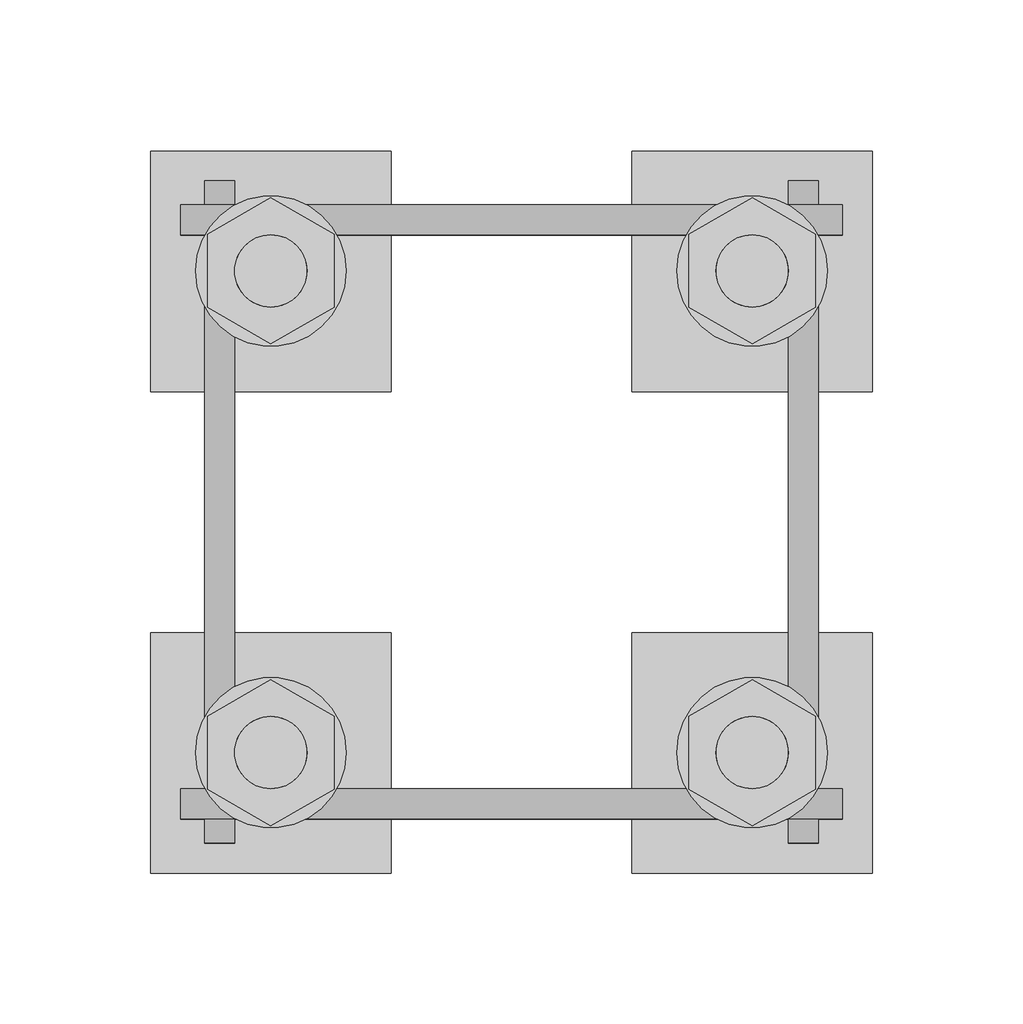
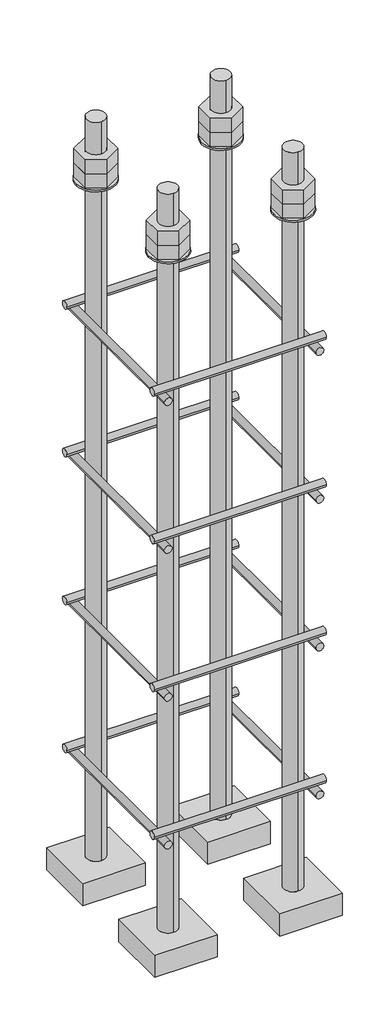
# One storey, part 20 of 66: 1 fastener.
"""IFC4 building model written with IfcOpenShell, lengths in millimetres."""

from ifc_helpers import new_model, si_unit, point, frame, frame_2d, origin, place, context, project, spatial, polyline, circle_curve, trimmed, segment, composite_curve, outline, extrude, element, save
from ifc_brep_helpers import plane_surface, cylinder_surface, advanced_brep

model = new_model("IFC4")

# Units and contexts
model_context = context("Model", 3, world=origin())
ifc_project = project(units=[si_unit("LENGTHUNIT", "METRE", prefix="MILLI")], contexts=[model_context])

# Site, building, storey
site = spatial("IfcSite", under=ifc_project)
building = spatial("IfcBuilding", under=site)
storey = spatial("IfcBuildingStorey", under=building, Elevation=9070.0)

# Fastener
placement = place(None, origin())
element("IfcFastener", 1, ObjectType="AU1 : AU-01", at=placement, inside=storey, context=model_context, shape_type="SolidModel", body=[
    extrude(outline(composite_curve([segment(trimmed(circle_curve(frame_2d((11343.0, 8395.0)), 5.0), [point((11338.0, 8395.0))], [point((11348.0, 8395.0))], False, "CARTESIAN"), True, "CONTINUOUS"), segment(trimmed(circle_curve(frame_2d((11343.0, 8395.0)), 5.0), [point((11348.0, 8395.0))], [point((11338.0, 8395.0))], False, "CARTESIAN"), True, "CONTINUOUS")], self_intersect=False)), frame((45890.0, 0.0, 0.0), z_axis=(1.0, 0.0, 0.0), x_axis=(0.0, 1.0, 0.0)), (0.0, 0.0, 1.0), 220.0),
    extrude(outline(composite_curve([segment(trimmed(circle_curve(frame_2d((11537.0, 8395.0)), 5.0), [point((11542.0, 8395.0))], [point((11532.0, 8395.0))], False, "CARTESIAN"), True, "CONTINUOUS"), segment(trimmed(circle_curve(frame_2d((11537.0, 8395.0)), 5.0), [point((11532.0, 8395.0))], [point((11542.0, 8395.0))], False, "CARTESIAN"), True, "CONTINUOUS")], self_intersect=False)), frame((45890.0, 0.0, 0.0), z_axis=(1.0, 0.0, 0.0), x_axis=(0.0, 1.0, 0.0)), (0.0, 0.0, 1.0), 220.0),
    extrude(outline(composite_curve([segment(trimmed(circle_curve(frame_2d((8385.0, 45903.0)), 5.0), [point((8385.0, 45898.0))], [point((8385.0, 45908.0))], False, "CARTESIAN"), True, "CONTINUOUS"), segment(trimmed(circle_curve(frame_2d((8385.0, 45903.0)), 5.0), [point((8385.0, 45908.0))], [point((8385.0, 45898.0))], False, "CARTESIAN"), True, "CONTINUOUS")], self_intersect=False)), frame((0.0, 11330.0, 0.0), z_axis=(0.0, 1.0, 0.0), x_axis=(0.0, 0.0, 1.0)), (0.0, 0.0, 1.0), 220.0),
    extrude(outline(composite_curve([segment(trimmed(circle_curve(frame_2d((8385.0, 46097.0)), 5.0), [point((8385.0, 46102.0))], [point((8385.0, 46092.0))], False, "CARTESIAN"), True, "CONTINUOUS"), segment(trimmed(circle_curve(frame_2d((8385.0, 46097.0)), 5.0), [point((8385.0, 46092.0))], [point((8385.0, 46102.0))], False, "CARTESIAN"), True, "CONTINUOUS")], self_intersect=False)), frame((0.0, 11330.0, 0.0), z_axis=(0.0, 1.0, 0.0), x_axis=(0.0, 0.0, 1.0)), (0.0, 0.0, 1.0), 220.0),
    extrude(outline(composite_curve([segment(trimmed(circle_curve(frame_2d((11343.0, 8595.0)), 5.0), [point((11338.0, 8595.0))], [point((11348.0, 8595.0))], False, "CARTESIAN"), True, "CONTINUOUS"), segment(trimmed(circle_curve(frame_2d((11343.0, 8595.0)), 5.0), [point((11348.0, 8595.0))], [point((11338.0, 8595.0))], False, "CARTESIAN"), True, "CONTINUOUS")], self_intersect=False)), frame((45890.0, 0.0, 0.0), z_axis=(1.0, 0.0, 0.0), x_axis=(0.0, 1.0, 0.0)), (0.0, 0.0, 1.0), 220.0),
    extrude(outline(composite_curve([segment(trimmed(circle_curve(frame_2d((11537.0, 8595.0)), 5.0), [point((11542.0, 8595.0))], [point((11532.0, 8595.0))], False, "CARTESIAN"), True, "CONTINUOUS"), segment(trimmed(circle_curve(frame_2d((11537.0, 8595.0)), 5.0), [point((11532.0, 8595.0))], [point((11542.0, 8595.0))], False, "CARTESIAN"), True, "CONTINUOUS")], self_intersect=False)), frame((45890.0, 0.0, 0.0), z_axis=(1.0, 0.0, 0.0), x_axis=(0.0, 1.0, 0.0)), (0.0, 0.0, 1.0), 220.0),
    extrude(outline(composite_curve([segment(trimmed(circle_curve(frame_2d((8585.0, 45903.0)), 5.0), [point((8585.0, 45898.0))], [point((8585.0, 45908.0))], False, "CARTESIAN"), True, "CONTINUOUS"), segment(trimmed(circle_curve(frame_2d((8585.0, 45903.0)), 5.0), [point((8585.0, 45908.0))], [point((8585.0, 45898.0))], False, "CARTESIAN"), True, "CONTINUOUS")], self_intersect=False)), frame((0.0, 11330.0, 0.0), z_axis=(0.0, 1.0, 0.0), x_axis=(0.0, 0.0, 1.0)), (0.0, 0.0, 1.0), 220.0),
    extrude(outline(composite_curve([segment(trimmed(circle_curve(frame_2d((8585.0, 46097.0)), 5.0), [point((8585.0, 46102.0))], [point((8585.0, 46092.0))], False, "CARTESIAN"), True, "CONTINUOUS"), segment(trimmed(circle_curve(frame_2d((8585.0, 46097.0)), 5.0), [point((8585.0, 46092.0))], [point((8585.0, 46102.0))], False, "CARTESIAN"), True, "CONTINUOUS")], self_intersect=False)), frame((0.0, 11330.0, 0.0), z_axis=(0.0, 1.0, 0.0), x_axis=(0.0, 0.0, 1.0)), (0.0, 0.0, 1.0), 220.0),
    extrude(outline(composite_curve([segment(trimmed(circle_curve(frame_2d((11343.0, 8795.0)), 5.0), [point((11338.0, 8795.0))], [point((11348.0, 8795.0))], False, "CARTESIAN"), True, "CONTINUOUS"), segment(trimmed(circle_curve(frame_2d((11343.0, 8795.0)), 5.0), [point((11348.0, 8795.0))], [point((11338.0, 8795.0))], False, "CARTESIAN"), True, "CONTINUOUS")], self_intersect=False)), frame((45890.0, 0.0, 0.0), z_axis=(1.0, 0.0, 0.0), x_axis=(0.0, 1.0, 0.0)), (0.0, 0.0, 1.0), 220.0),
    extrude(outline(composite_curve([segment(trimmed(circle_curve(frame_2d((11537.0, 8795.0)), 5.0), [point((11542.0, 8795.0))], [point((11532.0, 8795.0))], False, "CARTESIAN"), True, "CONTINUOUS"), segment(trimmed(circle_curve(frame_2d((11537.0, 8795.0)), 5.0), [point((11532.0, 8795.0))], [point((11542.0, 8795.0))], False, "CARTESIAN"), True, "CONTINUOUS")], self_intersect=False)), frame((45890.0, 0.0, 0.0), z_axis=(1.0, 0.0, 0.0), x_axis=(0.0, 1.0, 0.0)), (0.0, 0.0, 1.0), 220.0),
    extrude(outline(composite_curve([segment(trimmed(circle_curve(frame_2d((8785.0, 45903.0)), 5.0), [point((8785.0, 45898.0))], [point((8785.0, 45908.0))], False, "CARTESIAN"), True, "CONTINUOUS"), segment(trimmed(circle_curve(frame_2d((8785.0, 45903.0)), 5.0), [point((8785.0, 45908.0))], [point((8785.0, 45898.0))], False, "CARTESIAN"), True, "CONTINUOUS")], self_intersect=False)), frame((0.0, 11330.0, 0.0), z_axis=(0.0, 1.0, 0.0), x_axis=(0.0, 0.0, 1.0)), (0.0, 0.0, 1.0), 220.0),
    extrude(outline(composite_curve([segment(trimmed(circle_curve(frame_2d((8785.0, 46097.0)), 5.0), [point((8785.0, 46102.0))], [point((8785.0, 46092.0))], False, "CARTESIAN"), True, "CONTINUOUS"), segment(trimmed(circle_curve(frame_2d((8785.0, 46097.0)), 5.0), [point((8785.0, 46092.0))], [point((8785.0, 46102.0))], False, "CARTESIAN"), True, "CONTINUOUS")], self_intersect=False)), frame((0.0, 11330.0, 0.0), z_axis=(0.0, 1.0, 0.0), x_axis=(0.0, 0.0, 1.0)), (0.0, 0.0, 1.0), 220.0),
    extrude(outline(composite_curve([segment(trimmed(circle_curve(frame_2d((11343.0, 8995.0)), 5.0), [point((11338.0, 8995.0))], [point((11348.0, 8995.0))], False, "CARTESIAN"), True, "CONTINUOUS"), segment(trimmed(circle_curve(frame_2d((11343.0, 8995.0)), 5.0), [point((11348.0, 8995.0))], [point((11338.0, 8995.0))], False, "CARTESIAN"), True, "CONTINUOUS")], self_intersect=False)), frame((45890.0, 0.0, 0.0), z_axis=(1.0, 0.0, 0.0), x_axis=(0.0, 1.0, 0.0)), (0.0, 0.0, 1.0), 220.0),
    extrude(outline(composite_curve([segment(trimmed(circle_curve(frame_2d((11537.0, 8995.0)), 5.0), [point((11542.0, 8995.0))], [point((11532.0, 8995.0))], False, "CARTESIAN"), True, "CONTINUOUS"), segment(trimmed(circle_curve(frame_2d((11537.0, 8995.0)), 5.0), [point((11532.0, 8995.0))], [point((11542.0, 8995.0))], False, "CARTESIAN"), True, "CONTINUOUS")], self_intersect=False)), frame((45890.0, 0.0, 0.0), z_axis=(1.0, 0.0, 0.0), x_axis=(0.0, 1.0, 0.0)), (0.0, 0.0, 1.0), 220.0),
    extrude(outline(composite_curve([segment(trimmed(circle_curve(frame_2d((8985.0, 45903.0)), 5.0), [point((8985.0, 45898.0))], [point((8985.0, 45908.0))], False, "CARTESIAN"), True, "CONTINUOUS"), segment(trimmed(circle_curve(frame_2d((8985.0, 45903.0)), 5.0), [point((8985.0, 45908.0))], [point((8985.0, 45898.0))], False, "CARTESIAN"), True, "CONTINUOUS")], self_intersect=False)), frame((0.0, 11330.0, 0.0), z_axis=(0.0, 1.0, 0.0), x_axis=(0.0, 0.0, 1.0)), (0.0, 0.0, 1.0), 220.0),
    extrude(outline(composite_curve([segment(trimmed(circle_curve(frame_2d((8985.0, 46097.0)), 5.0), [point((8985.0, 46102.0))], [point((8985.0, 46092.0))], False, "CARTESIAN"), True, "CONTINUOUS"), segment(trimmed(circle_curve(frame_2d((8985.0, 46097.0)), 5.0), [point((8985.0, 46092.0))], [point((8985.0, 46102.0))], False, "CARTESIAN"), True, "CONTINUOUS")], self_intersect=False)), frame((0.0, 11330.0, 0.0), z_axis=(0.0, 1.0, 0.0), x_axis=(0.0, 0.0, 1.0)), (0.0, 0.0, 1.0), 220.0),
    advanced_brep(
    [(45960.0, 11560.0, 8250.0), (45880.0, 11560.0, 8250.0), (45880.0, 11480.0, 8250.0), (45960.0, 11480.0, 8250.0), (45920.0, 11508.0, 8250.0), (45920.0, 11532.0, 8250.0), (45960.0, 11560.0, 8220.0), (45960.0, 11480.0, 8220.0), (45880.0, 11480.0, 8220.0), (45880.0, 11560.0, 8220.0), (45920.0, 11532.0, 9250.0), (45920.0, 11508.0, 9250.0)],
    [
        (0, 1),
        (1, 2),
        (2, 3),
        (3, 0),
        (4, 5, circle_curve(frame((45920.0, 11520.0, 8250.0), z_axis=(0.0, 0.0, -1.0), x_axis=(0.0, -1.0, 0.0)), 12.0)),
        (5, 4, circle_curve(frame((45920.0, 11520.0, 8250.0), z_axis=(0.0, 0.0, -1.0), x_axis=(0.0, -1.0, 0.0)), 12.0)),
        (6, 7),
        (7, 8),
        (8, 9),
        (9, 6),
        (0, 6),
        (9, 1),
        (8, 2),
        (7, 3),
        (10, 11, circle_curve(frame((45920.0, 11520.0, 9250.0), z_axis=(0.0, 0.0, 1.0), x_axis=(0.0, -1.0, 0.0)), 12.0)),
        (11, 10, circle_curve(frame((45920.0, 11520.0, 9250.0), z_axis=(0.0, 0.0, 1.0), x_axis=(0.0, -1.0, 0.0)), 12.0)),
        (10, 5),
        (4, 11),
    ],
    [
        plane_surface(frame((45880.0, 11560.0, 8250.0), z_axis=(0.0, 0.0, 1.0), x_axis=(-1.0, 0.0, 0.0))),
        plane_surface(frame((45880.0, 11560.0, 8220.0), z_axis=(0.0, 0.0, -1.0), x_axis=(1.0, 0.0, 0.0))),
        plane_surface(frame((45960.0, 11560.0, 8250.0), z_axis=(0.0, 1.0, 0.0), x_axis=(0.0, 0.0, -1.0))),
        plane_surface(frame((45880.0, 11560.0, 8250.0), z_axis=(-1.0, 0.0, 0.0), x_axis=(0.0, 0.0, -1.0))),
        plane_surface(frame((45880.0, 11480.0, 8250.0), z_axis=(0.0, -1.0, 0.0), x_axis=(0.0, 0.0, -1.0))),
        plane_surface(frame((45960.0, 11480.0, 8250.0), z_axis=(1.0, 0.0, 0.0), x_axis=(0.0, 0.0, -1.0))),
        plane_surface(frame((45920.0, 11520.0, 9250.0), z_axis=(0.0, 0.0, 1.0), x_axis=(0.0, -1.0, 0.0))),
        cylinder_surface(frame((45920.0, 11520.0, 9250.0), z_axis=(0.0, 0.0, 1.0), x_axis=(0.0, -1.0, 0.0)), 12.0),
    ],
    [
        (0, [[1, 2, 3, 4], [5, 6]]),
        (1, [[7, 8, 9, 10]]),
        (2, [[-1, 11, -10, 12]]),
        (3, [[-2, -12, -9, 13]]),
        (4, [[-3, -13, -8, 14]]),
        (5, [[-4, -14, -7, -11]]),
        (6, [[15, 16]]),
        (7, [[-15, 17, -5, 18]]),
        (7, [[-16, -18, -6, -17]]),
    ],
),
    extrude(outline(composite_curve([segment(trimmed(circle_curve(frame_2d((45920.0, 11520.0)), 25.0), [point((45945.0, 11520.0))], [point((45895.0, 11520.0))], False, "CARTESIAN"), True, "CONTINUOUS"), segment(trimmed(circle_curve(frame_2d((45920.0, 11520.0)), 25.0), [point((45895.0, 11520.0))], [point((45945.0, 11520.0))], False, "CARTESIAN"), True, "CONTINUOUS")], self_intersect=False), holes=[composite_curve([segment(trimmed(circle_curve(frame_2d((45920.0, 11520.0)), 12.0), [point((45932.0, 11520.0))], [point((45908.0, 11520.0))], True, "CARTESIAN"), True, "CONTINUOUS"), segment(trimmed(circle_curve(frame_2d((45920.0, 11520.0)), 12.0), [point((45908.0, 11520.0))], [point((45932.0, 11520.0))], True, "CARTESIAN"), True, "CONTINUOUS")], self_intersect=False)]), frame((0.0, 0.0, 9165.0), z_axis=(0.0, 0.0, 1.0), x_axis=(1.0, 0.0, 0.0)), (0.0, 0.0, 1.0), 2.5),
    extrude(outline(polyline([(45920.0, 11544.2487113), (45941.0, 11532.1243557), (45941.0, 11507.8756443), (45920.0, 11495.7512887), (45899.0, 11507.8756443), (45899.0, 11532.1243557), (45920.0, 11544.2487113)]), holes=[composite_curve([segment(trimmed(circle_curve(frame_2d((45920.0, 11520.0)), 12.0), [point((45932.0, 11520.0))], [point((45908.0, 11520.0))], True, "CARTESIAN"), True, "CONTINUOUS"), segment(trimmed(circle_curve(frame_2d((45920.0, 11520.0)), 12.0), [point((45908.0, 11520.0))], [point((45932.0, 11520.0))], True, "CARTESIAN"), True, "CONTINUOUS")], self_intersect=False)]), frame((0.0, 0.0, 9187.0), z_axis=(0.0, 0.0, 1.0), x_axis=(1.0, 0.0, 0.0)), (0.0, 0.0, 1.0), 19.5),
    extrude(outline(polyline([(45920.0, 11544.2487113), (45941.0, 11532.1243557), (45941.0, 11507.8756443), (45920.0, 11495.7512887), (45899.0, 11507.8756443), (45899.0, 11532.1243557), (45920.0, 11544.2487113)]), holes=[composite_curve([segment(trimmed(circle_curve(frame_2d((45920.0, 11520.0)), 12.0), [point((45932.0, 11520.0))], [point((45908.0, 11520.0))], True, "CARTESIAN"), True, "CONTINUOUS"), segment(trimmed(circle_curve(frame_2d((45920.0, 11520.0)), 12.0), [point((45908.0, 11520.0))], [point((45932.0, 11520.0))], True, "CARTESIAN"), True, "CONTINUOUS")], self_intersect=False)]), frame((0.0, 0.0, 9167.5), z_axis=(0.0, 0.0, 1.0), x_axis=(1.0, 0.0, 0.0)), (0.0, 0.0, 1.0), 19.5),
    advanced_brep(
    [(46040.0, 11480.0, 8250.0), (46120.0, 11480.0, 8250.0), (46120.0, 11560.0, 8250.0), (46040.0, 11560.0, 8250.0), (46080.0, 11532.0, 8250.0), (46080.0, 11508.0, 8250.0), (46040.0, 11480.0, 8220.0), (46040.0, 11560.0, 8220.0), (46120.0, 11560.0, 8220.0), (46120.0, 11480.0, 8220.0), (46080.0, 11508.0, 9250.0), (46080.0, 11532.0, 9250.0)],
    [
        (0, 1),
        (1, 2),
        (2, 3),
        (3, 0),
        (4, 5, circle_curve(frame((46080.0, 11520.0, 8250.0), z_axis=(0.0, 0.0, -1.0), x_axis=(0.0, 1.0, 0.0)), 12.0)),
        (5, 4, circle_curve(frame((46080.0, 11520.0, 8250.0), z_axis=(0.0, 0.0, -1.0), x_axis=(0.0, 1.0, 0.0)), 12.0)),
        (6, 7),
        (7, 8),
        (8, 9),
        (9, 6),
        (0, 6),
        (9, 1),
        (8, 2),
        (7, 3),
        (10, 11, circle_curve(frame((46080.0, 11520.0, 9250.0), z_axis=(0.0, 0.0, 1.0), x_axis=(0.0, 1.0, 0.0)), 12.0)),
        (11, 10, circle_curve(frame((46080.0, 11520.0, 9250.0), z_axis=(0.0, 0.0, 1.0), x_axis=(0.0, 1.0, 0.0)), 12.0)),
        (10, 5),
        (4, 11),
    ],
    [
        plane_surface(frame((46120.0, 11480.0, 8250.0), z_axis=(0.0, 0.0, 1.0), x_axis=(1.0, 0.0, 0.0))),
        plane_surface(frame((46120.0, 11480.0, 8220.0), z_axis=(0.0, 0.0, -1.0), x_axis=(-1.0, 0.0, 0.0))),
        plane_surface(frame((46040.0, 11480.0, 8250.0), z_axis=(0.0, -1.0, 0.0), x_axis=(0.0, 0.0, -1.0))),
        plane_surface(frame((46120.0, 11480.0, 8250.0), z_axis=(1.0, 0.0, 0.0), x_axis=(0.0, 0.0, -1.0))),
        plane_surface(frame((46120.0, 11560.0, 8250.0), z_axis=(0.0, 1.0, 0.0), x_axis=(0.0, 0.0, -1.0))),
        plane_surface(frame((46040.0, 11560.0, 8250.0), z_axis=(-1.0, 0.0, 0.0), x_axis=(0.0, 0.0, -1.0))),
        plane_surface(frame((46080.0, 11520.0, 9250.0), z_axis=(0.0, 0.0, 1.0), x_axis=(0.0, 1.0, 0.0))),
        cylinder_surface(frame((46080.0, 11520.0, 9250.0), z_axis=(0.0, 0.0, 1.0), x_axis=(0.0, 1.0, 0.0)), 12.0),
    ],
    [
        (0, [[1, 2, 3, 4], [5, 6]]),
        (1, [[7, 8, 9, 10]]),
        (2, [[-1, 11, -10, 12]]),
        (3, [[-2, -12, -9, 13]]),
        (4, [[-3, -13, -8, 14]]),
        (5, [[-4, -14, -7, -11]]),
        (6, [[15, 16]]),
        (7, [[-15, 17, -5, 18]]),
        (7, [[-16, -18, -6, -17]]),
    ],
),
    extrude(outline(composite_curve([segment(trimmed(circle_curve(frame_2d((46080.0, 11520.0)), 25.0), [point((46055.0, 11520.0))], [point((46105.0, 11520.0))], False, "CARTESIAN"), True, "CONTINUOUS"), segment(trimmed(circle_curve(frame_2d((46080.0, 11520.0)), 25.0), [point((46105.0, 11520.0))], [point((46055.0, 11520.0))], False, "CARTESIAN"), True, "CONTINUOUS")], self_intersect=False), holes=[composite_curve([segment(trimmed(circle_curve(frame_2d((46080.0, 11520.0)), 12.0), [point((46068.0, 11520.0))], [point((46092.0, 11520.0))], True, "CARTESIAN"), True, "CONTINUOUS"), segment(trimmed(circle_curve(frame_2d((46080.0, 11520.0)), 12.0), [point((46092.0, 11520.0))], [point((46068.0, 11520.0))], True, "CARTESIAN"), True, "CONTINUOUS")], self_intersect=False)]), frame((0.0, 0.0, 9165.0), z_axis=(0.0, 0.0, 1.0), x_axis=(1.0, 0.0, 0.0)), (0.0, 0.0, 1.0), 2.5),
    extrude(outline(polyline([(46080.0, 11495.7512887), (46059.0, 11507.8756443), (46059.0, 11532.1243557), (46080.0, 11544.2487113), (46101.0, 11532.1243557), (46101.0, 11507.8756443), (46080.0, 11495.7512887)]), holes=[composite_curve([segment(trimmed(circle_curve(frame_2d((46080.0, 11520.0)), 12.0), [point((46068.0, 11520.0))], [point((46092.0, 11520.0))], True, "CARTESIAN"), True, "CONTINUOUS"), segment(trimmed(circle_curve(frame_2d((46080.0, 11520.0)), 12.0), [point((46092.0, 11520.0))], [point((46068.0, 11520.0))], True, "CARTESIAN"), True, "CONTINUOUS")], self_intersect=False)]), frame((0.0, 0.0, 9187.0), z_axis=(0.0, 0.0, 1.0), x_axis=(1.0, 0.0, 0.0)), (0.0, 0.0, 1.0), 19.5),
    extrude(outline(polyline([(46080.0, 11495.7512887), (46059.0, 11507.8756443), (46059.0, 11532.1243557), (46080.0, 11544.2487113), (46101.0, 11532.1243557), (46101.0, 11507.8756443), (46080.0, 11495.7512887)]), holes=[composite_curve([segment(trimmed(circle_curve(frame_2d((46080.0, 11520.0)), 12.0), [point((46068.0, 11520.0))], [point((46092.0, 11520.0))], True, "CARTESIAN"), True, "CONTINUOUS"), segment(trimmed(circle_curve(frame_2d((46080.0, 11520.0)), 12.0), [point((46092.0, 11520.0))], [point((46068.0, 11520.0))], True, "CARTESIAN"), True, "CONTINUOUS")], self_intersect=False)]), frame((0.0, 0.0, 9167.5), z_axis=(0.0, 0.0, 1.0), x_axis=(1.0, 0.0, 0.0)), (0.0, 0.0, 1.0), 19.5),
    advanced_brep(
    [(46040.0, 11320.0, 8250.0), (46120.0, 11320.0, 8250.0), (46120.0, 11400.0, 8250.0), (46040.0, 11400.0, 8250.0), (46080.0, 11372.0, 8250.0), (46080.0, 11348.0, 8250.0), (46040.0, 11320.0, 8220.0), (46040.0, 11400.0, 8220.0), (46120.0, 11400.0, 8220.0), (46120.0, 11320.0, 8220.0), (46080.0, 11348.0, 9250.0), (46080.0, 11372.0, 9250.0)],
    [
        (0, 1),
        (1, 2),
        (2, 3),
        (3, 0),
        (4, 5, circle_curve(frame((46080.0, 11360.0, 8250.0), z_axis=(0.0, 0.0, -1.0), x_axis=(0.0, 1.0, 0.0)), 12.0)),
        (5, 4, circle_curve(frame((46080.0, 11360.0, 8250.0), z_axis=(0.0, 0.0, -1.0), x_axis=(0.0, 1.0, 0.0)), 12.0)),
        (6, 7),
        (7, 8),
        (8, 9),
        (9, 6),
        (0, 6),
        (9, 1),
        (8, 2),
        (7, 3),
        (10, 11, circle_curve(frame((46080.0, 11360.0, 9250.0), z_axis=(0.0, 0.0, 1.0), x_axis=(0.0, 1.0, 0.0)), 12.0)),
        (11, 10, circle_curve(frame((46080.0, 11360.0, 9250.0), z_axis=(0.0, 0.0, 1.0), x_axis=(0.0, 1.0, 0.0)), 12.0)),
        (10, 5),
        (4, 11),
    ],
    [
        plane_surface(frame((46120.0, 11320.0, 8250.0), z_axis=(0.0, 0.0, 1.0), x_axis=(1.0, 0.0, 0.0))),
        plane_surface(frame((46120.0, 11320.0, 8220.0), z_axis=(0.0, 0.0, -1.0), x_axis=(-1.0, 0.0, 0.0))),
        plane_surface(frame((46040.0, 11320.0, 8250.0), z_axis=(0.0, -1.0, 0.0), x_axis=(0.0, 0.0, -1.0))),
        plane_surface(frame((46120.0, 11320.0, 8250.0), z_axis=(1.0, 0.0, 0.0), x_axis=(0.0, 0.0, -1.0))),
        plane_surface(frame((46120.0, 11400.0, 8250.0), z_axis=(0.0, 1.0, 0.0), x_axis=(0.0, 0.0, -1.0))),
        plane_surface(frame((46040.0, 11400.0, 8250.0), z_axis=(-1.0, 0.0, 0.0), x_axis=(0.0, 0.0, -1.0))),
        plane_surface(frame((46080.0, 11360.0, 9250.0), z_axis=(0.0, 0.0, 1.0), x_axis=(0.0, 1.0, 0.0))),
        cylinder_surface(frame((46080.0, 11360.0, 9250.0), z_axis=(0.0, 0.0, 1.0), x_axis=(0.0, 1.0, 0.0)), 12.0),
    ],
    [
        (0, [[1, 2, 3, 4], [5, 6]]),
        (1, [[7, 8, 9, 10]]),
        (2, [[-1, 11, -10, 12]]),
        (3, [[-2, -12, -9, 13]]),
        (4, [[-3, -13, -8, 14]]),
        (5, [[-4, -14, -7, -11]]),
        (6, [[15, 16]]),
        (7, [[-15, 17, -5, 18]]),
        (7, [[-16, -18, -6, -17]]),
    ],
),
    extrude(outline(composite_curve([segment(trimmed(circle_curve(frame_2d((46080.0, 11360.0)), 25.0), [point((46055.0, 11360.0))], [point((46105.0, 11360.0))], False, "CARTESIAN"), True, "CONTINUOUS"), segment(trimmed(circle_curve(frame_2d((46080.0, 11360.0)), 25.0), [point((46105.0, 11360.0))], [point((46055.0, 11360.0))], False, "CARTESIAN"), True, "CONTINUOUS")], self_intersect=False), holes=[composite_curve([segment(trimmed(circle_curve(frame_2d((46080.0, 11360.0)), 12.0), [point((46068.0, 11360.0))], [point((46092.0, 11360.0))], True, "CARTESIAN"), True, "CONTINUOUS"), segment(trimmed(circle_curve(frame_2d((46080.0, 11360.0)), 12.0), [point((46092.0, 11360.0))], [point((46068.0, 11360.0))], True, "CARTESIAN"), True, "CONTINUOUS")], self_intersect=False)]), frame((0.0, 0.0, 9165.0), z_axis=(0.0, 0.0, 1.0), x_axis=(1.0, 0.0, 0.0)), (0.0, 0.0, 1.0), 2.5),
    extrude(outline(polyline([(46080.0, 11335.7512887), (46059.0, 11347.8756443), (46059.0, 11372.1243557), (46080.0, 11384.2487113), (46101.0, 11372.1243557), (46101.0, 11347.8756443), (46080.0, 11335.7512887)]), holes=[composite_curve([segment(trimmed(circle_curve(frame_2d((46080.0, 11360.0)), 12.0), [point((46068.0, 11360.0))], [point((46092.0, 11360.0))], True, "CARTESIAN"), True, "CONTINUOUS"), segment(trimmed(circle_curve(frame_2d((46080.0, 11360.0)), 12.0), [point((46092.0, 11360.0))], [point((46068.0, 11360.0))], True, "CARTESIAN"), True, "CONTINUOUS")], self_intersect=False)]), frame((0.0, 0.0, 9187.0), z_axis=(0.0, 0.0, 1.0), x_axis=(1.0, 0.0, 0.0)), (0.0, 0.0, 1.0), 19.5),
    extrude(outline(polyline([(46080.0, 11335.7512887), (46059.0, 11347.8756443), (46059.0, 11372.1243557), (46080.0, 11384.2487113), (46101.0, 11372.1243557), (46101.0, 11347.8756443), (46080.0, 11335.7512887)]), holes=[composite_curve([segment(trimmed(circle_curve(frame_2d((46080.0, 11360.0)), 12.0), [point((46068.0, 11360.0))], [point((46092.0, 11360.0))], True, "CARTESIAN"), True, "CONTINUOUS"), segment(trimmed(circle_curve(frame_2d((46080.0, 11360.0)), 12.0), [point((46092.0, 11360.0))], [point((46068.0, 11360.0))], True, "CARTESIAN"), True, "CONTINUOUS")], self_intersect=False)]), frame((0.0, 0.0, 9167.5), z_axis=(0.0, 0.0, 1.0), x_axis=(1.0, 0.0, 0.0)), (0.0, 0.0, 1.0), 19.5),
    advanced_brep(
    [(45960.0, 11400.0, 8250.0), (45880.0, 11400.0, 8250.0), (45880.0, 11320.0, 8250.0), (45960.0, 11320.0, 8250.0), (45920.0, 11348.0, 8250.0), (45920.0, 11372.0, 8250.0), (45960.0, 11400.0, 8220.0), (45960.0, 11320.0, 8220.0), (45880.0, 11320.0, 8220.0), (45880.0, 11400.0, 8220.0), (45920.0, 11372.0, 9250.0), (45920.0, 11348.0, 9250.0)],
    [
        (0, 1),
        (1, 2),
        (2, 3),
        (3, 0),
        (4, 5, circle_curve(frame((45920.0, 11360.0, 8250.0), z_axis=(0.0, 0.0, -1.0), x_axis=(0.0, -1.0, 0.0)), 12.0)),
        (5, 4, circle_curve(frame((45920.0, 11360.0, 8250.0), z_axis=(0.0, 0.0, -1.0), x_axis=(0.0, -1.0, 0.0)), 12.0)),
        (6, 7),
        (7, 8),
        (8, 9),
        (9, 6),
        (0, 6),
        (9, 1),
        (8, 2),
        (7, 3),
        (10, 11, circle_curve(frame((45920.0, 11360.0, 9250.0), z_axis=(0.0, 0.0, 1.0), x_axis=(0.0, -1.0, 0.0)), 12.0)),
        (11, 10, circle_curve(frame((45920.0, 11360.0, 9250.0), z_axis=(0.0, 0.0, 1.0), x_axis=(0.0, -1.0, 0.0)), 12.0)),
        (10, 5),
        (4, 11),
    ],
    [
        plane_surface(frame((45880.0, 11400.0, 8250.0), z_axis=(0.0, 0.0, 1.0), x_axis=(-1.0, 0.0, 0.0))),
        plane_surface(frame((45880.0, 11400.0, 8220.0), z_axis=(0.0, 0.0, -1.0), x_axis=(1.0, 0.0, 0.0))),
        plane_surface(frame((45960.0, 11400.0, 8250.0), z_axis=(0.0, 1.0, 0.0), x_axis=(0.0, 0.0, -1.0))),
        plane_surface(frame((45880.0, 11400.0, 8250.0), z_axis=(-1.0, 0.0, 0.0), x_axis=(0.0, 0.0, -1.0))),
        plane_surface(frame((45880.0, 11320.0, 8250.0), z_axis=(0.0, -1.0, 0.0), x_axis=(0.0, 0.0, -1.0))),
        plane_surface(frame((45960.0, 11320.0, 8250.0), z_axis=(1.0, 0.0, 0.0), x_axis=(0.0, 0.0, -1.0))),
        plane_surface(frame((45920.0, 11360.0, 9250.0), z_axis=(0.0, 0.0, 1.0), x_axis=(0.0, -1.0, 0.0))),
        cylinder_surface(frame((45920.0, 11360.0, 9250.0), z_axis=(0.0, 0.0, 1.0), x_axis=(0.0, -1.0, 0.0)), 12.0),
    ],
    [
        (0, [[1, 2, 3, 4], [5, 6]]),
        (1, [[7, 8, 9, 10]]),
        (2, [[-1, 11, -10, 12]]),
        (3, [[-2, -12, -9, 13]]),
        (4, [[-3, -13, -8, 14]]),
        (5, [[-4, -14, -7, -11]]),
        (6, [[15, 16]]),
        (7, [[-15, 17, -5, 18]]),
        (7, [[-16, -18, -6, -17]]),
    ],
),
    extrude(outline(composite_curve([segment(trimmed(circle_curve(frame_2d((45920.0, 11360.0)), 25.0), [point((45945.0, 11360.0))], [point((45895.0, 11360.0))], False, "CARTESIAN"), True, "CONTINUOUS"), segment(trimmed(circle_curve(frame_2d((45920.0, 11360.0)), 25.0), [point((45895.0, 11360.0))], [point((45945.0, 11360.0))], False, "CARTESIAN"), True, "CONTINUOUS")], self_intersect=False), holes=[composite_curve([segment(trimmed(circle_curve(frame_2d((45920.0, 11360.0)), 12.0), [point((45932.0, 11360.0))], [point((45908.0, 11360.0))], True, "CARTESIAN"), True, "CONTINUOUS"), segment(trimmed(circle_curve(frame_2d((45920.0, 11360.0)), 12.0), [point((45908.0, 11360.0))], [point((45932.0, 11360.0))], True, "CARTESIAN"), True, "CONTINUOUS")], self_intersect=False)]), frame((0.0, 0.0, 9165.0), z_axis=(0.0, 0.0, 1.0), x_axis=(1.0, 0.0, 0.0)), (0.0, 0.0, 1.0), 2.5),
    extrude(outline(polyline([(45920.0, 11384.2487113), (45941.0, 11372.1243557), (45941.0, 11347.8756443), (45920.0, 11335.7512887), (45899.0, 11347.8756443), (45899.0, 11372.1243557), (45920.0, 11384.2487113)]), holes=[composite_curve([segment(trimmed(circle_curve(frame_2d((45920.0, 11360.0)), 12.0), [point((45932.0, 11360.0))], [point((45908.0, 11360.0))], True, "CARTESIAN"), True, "CONTINUOUS"), segment(trimmed(circle_curve(frame_2d((45920.0, 11360.0)), 12.0), [point((45908.0, 11360.0))], [point((45932.0, 11360.0))], True, "CARTESIAN"), True, "CONTINUOUS")], self_intersect=False)]), frame((0.0, 0.0, 9187.0), z_axis=(0.0, 0.0, 1.0), x_axis=(1.0, 0.0, 0.0)), (0.0, 0.0, 1.0), 19.5),
    extrude(outline(polyline([(45920.0, 11384.2487113), (45941.0, 11372.1243557), (45941.0, 11347.8756443), (45920.0, 11335.7512887), (45899.0, 11347.8756443), (45899.0, 11372.1243557), (45920.0, 11384.2487113)]), holes=[composite_curve([segment(trimmed(circle_curve(frame_2d((45920.0, 11360.0)), 12.0), [point((45932.0, 11360.0))], [point((45908.0, 11360.0))], True, "CARTESIAN"), True, "CONTINUOUS"), segment(trimmed(circle_curve(frame_2d((45920.0, 11360.0)), 12.0), [point((45908.0, 11360.0))], [point((45932.0, 11360.0))], True, "CARTESIAN"), True, "CONTINUOUS")], self_intersect=False)]), frame((0.0, 0.0, 9167.5), z_axis=(0.0, 0.0, 1.0), x_axis=(1.0, 0.0, 0.0)), (0.0, 0.0, 1.0), 19.5),
])

save(model, "model.ifc")
